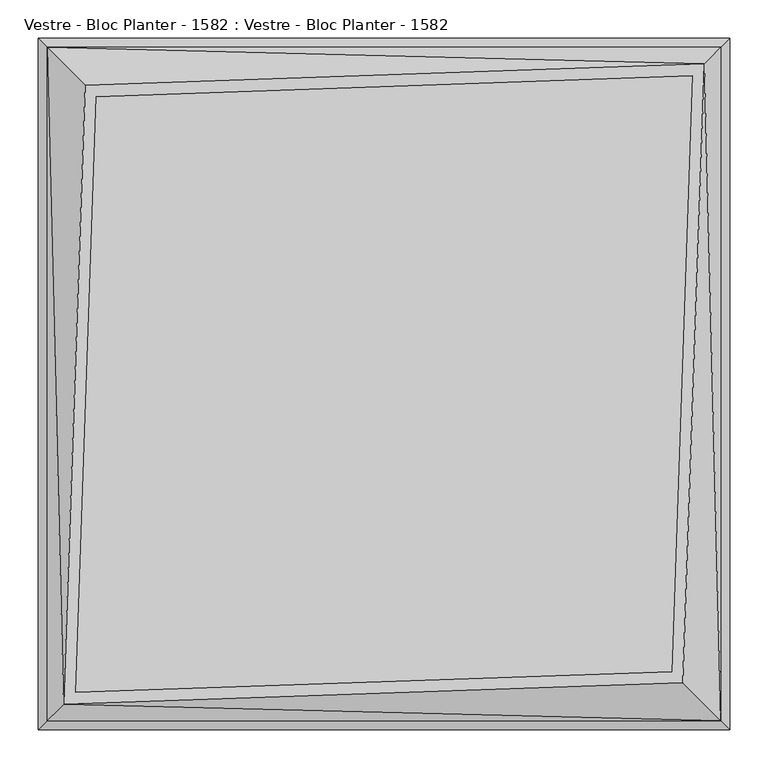
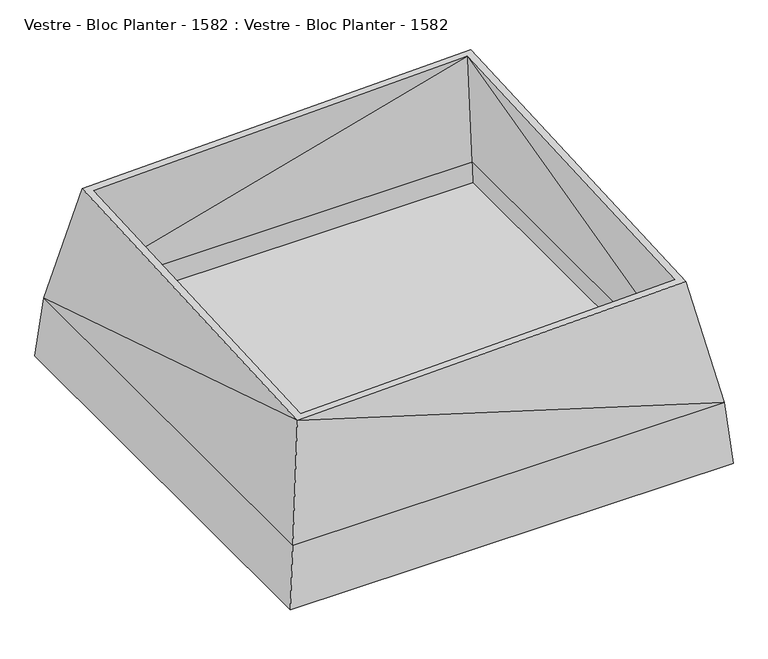
"""IFC4 building model written with IfcOpenShell, lengths in millimetres: furniture geometry, Vestre - Bloc Planter - 1582 : Vestre - Bloc Planter - 1582."""

from ifc_helpers import new_model, si_unit, frame, origin, place, context, project, spatial, polyline, circle_curve, source, transform, mapped, element, save
from ifc_brep_helpers import plane_surface, cylinder_surface, revolved_surface, advanced_brep


def vestre_bloc_planter_1582_vestre_bloc_planter_1582_75cbe593(model_context):
    return source(origin(), model_context, "Body", "AdvancedBrep", [
        advanced_brep(
        [(349.9470094, 356.3930267, 93.0), (356.4390304, 349.9010057, 93.0), (356.4390304, 356.3930267, 93.0), (-450.0, -450.0, 30.0), (-450.0, 450.0, 30.0), (450.0, 450.0, 30.0), (450.0, -450.0, 30.0), (435.0, -288.3105989, 30.0), (388.1486318, -335.1619671, 30.0), (379.6633505, -326.6766857, 30.0), (435.0, -271.3400361, 30.0), (435.0, 271.3400361, 30.0), (379.6633505, 326.6766857, 30.0), (388.1486318, 335.1619671, 30.0), (435.0, 288.3105989, 30.0), (435.0, 435.0, 30.0), (288.3105989, 435.0, 30.0), (335.1156232, 388.1949756, 30.0), (326.6303419, 379.7096943, 30.0), (271.3400361, 435.0, 30.0), (-271.3400361, 435.0, 30.0), (-326.6303419, 379.7096943, 30.0), (-335.1156232, 388.1949756, 30.0), (-288.3105989, 435.0, 30.0), (-435.0, 435.0, 30.0), (-435.0, 288.3105989, 30.0), (-388.1486318, 335.1619671, 30.0), (-379.6633505, 326.6766857, 30.0), (-435.0, 271.3400361, 30.0), (-435.0, -271.3400361, 30.0), (-379.6633505, -326.6766857, 30.0), (-388.1486318, -335.1619671, 30.0), (-435.0, -288.3105989, 30.0), (-435.0, -435.0, 30.0), (-288.3105989, -435.0, 30.0), (-335.1156232, -388.1949756, 30.0), (-326.6303419, -379.7096943, 30.0), (-271.3400361, -435.0, 30.0), (271.3400361, -435.0, 30.0), (326.6303419, -379.7096943, 30.0), (335.1156232, -388.1949756, 30.0), (288.3105989, -435.0, 30.0), (435.0, -435.0, 30.0), (388.1486318, 335.1619671, 13.4987081), (335.1156232, 388.1949756, 13.4987081), (293.8563735, 429.4542254, 93.0), (429.4542254, 293.8563735, 93.0), (379.6633505, 326.6766857, 13.4838777), (429.4542254, 276.8858108, 93.0), (276.8858108, 429.4542254, 93.0), (326.6303419, 379.7096943, 13.4838777), (356.4390304, -349.9010057, 93.0), (349.8556822, -356.484354, 93.0), (356.4390304, -356.484354, 93.0), (388.1486318, -335.1619671, 13.4987081), (429.4542254, -293.8563735, 93.0), (293.8563735, -429.4542254, 93.0), (335.1156232, -388.1949756, 13.4987081), (379.6633505, -326.6766857, 13.4838777), (326.6303419, -379.7096943, 13.4838777), (276.8858108, -429.4542254, 93.0), (429.4542254, -276.8858108, 93.0), (-356.4383502, 349.9016859, 93.0), (-349.9470094, 356.3930267, 93.0), (-356.4383502, 356.3930267, 93.0), (-388.1486318, 335.1619671, 13.4987081), (-429.4542254, 293.8563735, 93.0), (-293.8563735, 429.4542254, 93.0), (-335.1156232, 388.1949756, 13.4987081), (-379.6633505, 326.6766857, 13.4838777), (-326.6303419, 379.7096943, 13.4838777), (-276.8858108, 429.4542254, 93.0), (-429.4542254, 276.8858108, 93.0), (378.6140905, -325.6274257, 12.0), (378.6036038, -325.6169391, 0.0), (326.6303419, -273.6436771, 0.0), (326.6303419, -273.6436771, 12.0), (325.5810819, -378.6604343, 12.0), (273.5973333, -326.6766857, 12.0), (273.5973333, -326.6766857, 0.0), (325.5705952, -378.6499476, 0.0), (-378.6140905, 325.6274257, 12.0), (-378.6036038, 325.6169391, 0.0), (-326.6303419, 273.6436771, 0.0), (-326.6303419, 273.6436771, 12.0), (-325.5810819, 378.6604343, 12.0), (-273.5973333, 326.6766857, 12.0), (-273.5973333, 326.6766857, 0.0), (-325.5705952, 378.6499476, 0.0), (378.6140905, 325.6274257, 12.0), (326.6303419, 273.6436771, 12.0), (326.6303419, 273.6436771, 0.0), (378.6036038, 325.6169391, 0.0), (325.5810819, 378.6604343, 12.0), (325.5705952, 378.6499476, 0.0), (273.5973333, 326.6766857, 0.0), (273.5973333, 326.6766857, 12.0), (-326.6303419, -379.7096943, 13.4838777), (-325.5810819, -378.6604343, 12.0), (-378.6140905, -325.6274257, 12.0), (-379.6633505, -326.6766857, 13.4838777), (-273.5973333, -326.6766857, 12.0), (-326.6303419, -273.6436771, 12.0), (-273.5973333, -326.6766857, 0.0), (-326.6303419, -273.6436771, 0.0), (-325.5705952, -378.6499476, 0.0), (-378.6036038, -325.6169391, 0.0), (-335.1156232, -388.1949756, 13.4987081), (-388.1486318, -335.1619671, 13.4987081), (-293.8563735, -429.4542254, 93.0), (-429.4542254, -293.8563735, 93.0), (-429.4542254, -276.8858108, 93.0), (-356.4383502, -349.9016859, 93.0), (-349.8556822, -356.484354, 93.0), (-276.8858108, -429.4542254, 93.0), (-356.4383502, -356.484354, 93.0), (417.1917512, 417.1917512, 406.0458689), (438.75, -438.75, 157.8686997), (438.755923, 438.75, 157.8005145), (-417.1917512, -417.1917512, 406.0458689), (-438.7558816, -438.7558816, 157.8009908), (-438.75, 438.75, 157.8686997), (429.4542254, 429.4542254, 93.0), (-429.4542254, 429.4542254, 93.0), (423.75, 423.7499994, 157.8000065), (-423.75, 423.7499994, 157.8000065), (-428.0017606, 428.0017606, 109.5), (428.0017606, 428.0017606, 109.5), (429.4542254, -429.4542254, 93.0), (423.7499994, -423.75, 157.8000065), (428.0017606, -428.0017606, 109.5), (-429.4542254, -429.4542254, 93.0), (-423.75, -423.7499994, 157.8000064), (-428.0017606, -428.0017606, 109.5), (401.6375434, 401.6353344, 406.0458689), (-374.4510183, 374.3354148, 406.0458689), (374.4450039, -374.5380434, 406.0458689), (-401.6376655, -401.6394474, 406.0458689), (-388.952236, 388.8345932, 406.0458689), (388.9461155, -389.0407966, 406.0458689), (356.4390304, 356.3930267, 105.0), (356.4390304, -356.484354, 105.0), (-356.4383502, -356.484354, 105.0), (-356.4383502, 356.3930267, 105.0)],
        [
            (0, 1),
            (1, 2),
            (2, 0),
            (3, 4),
            (4, 5),
            (5, 6),
            (6, 3),
            (7, 8),
            (8, 9),
            (9, 10),
            (10, 11),
            (11, 12),
            (12, 13),
            (13, 14),
            (14, 15),
            (15, 16),
            (16, 17),
            (17, 18),
            (18, 19),
            (19, 20),
            (20, 21),
            (21, 22),
            (22, 23),
            (23, 24),
            (24, 25),
            (25, 26),
            (26, 27),
            (27, 28),
            (28, 29),
            (29, 30),
            (30, 31),
            (31, 32),
            (32, 33),
            (33, 34),
            (34, 35),
            (35, 36),
            (36, 37),
            (37, 38),
            (38, 39),
            (39, 40),
            (40, 41),
            (41, 42),
            (42, 7),
            (13, 43),
            (43, 44),
            (44, 17),
            (16, 45),
            (45, 46),
            (46, 14),
            (47, 12),
            (11, 48),
            (48, 1),
            (0, 49),
            (49, 19),
            (18, 50),
            (50, 47),
            (51, 52),
            (52, 53),
            (53, 51),
            (54, 8),
            (7, 55),
            (55, 56),
            (56, 41),
            (40, 57),
            (57, 54),
            (9, 58),
            (58, 59),
            (59, 39),
            (38, 60),
            (60, 52),
            (51, 61),
            (61, 10),
            (62, 63),
            (63, 64),
            (64, 62),
            (65, 26),
            (25, 66),
            (66, 67),
            (67, 23),
            (22, 68),
            (68, 65),
            (27, 69),
            (69, 70),
            (70, 21),
            (20, 71),
            (71, 63),
            (62, 72),
            (72, 28),
            (73, 58, circle_curve(frame((378.6140905, -325.6274257, 13.4838777), z_axis=(-0.7071067811863656, -0.7071067811867295, 0.0), x_axis=(0.0, 0.0, 1.0)), 1.4838777)),
            (54, 74, circle_curve(frame((378.6036038, -325.6169391, 13.4987081), z_axis=(0.7071067811863656, 0.7071067811867295, 0.0), x_axis=(0.0, 0.0, 1.0)), 13.4987081)),
            (74, 75),
            (75, 76),
            (76, 73),
            (77, 78),
            (78, 79),
            (79, 80),
            (80, 57, circle_curve(frame((325.5705952, -378.6499476, 13.4987081), z_axis=(-0.7071067811863656, -0.7071067811867295, 0.0), x_axis=(0.0, 0.0, 1.0)), 13.4987081)),
            (59, 77, circle_curve(frame((325.5810819, -378.6604343, 13.4838777), z_axis=(0.7071067811863656, 0.7071067811867295, 0.0), x_axis=(0.0, 0.0, 1.0)), 1.4838777)),
            (73, 77),
            (80, 74),
            (79, 75),
            (78, 76),
            (81, 69, circle_curve(frame((-378.6140905, 325.6274257, 13.4838777), z_axis=(0.7071067811863656, 0.7071067811867295, 0.0), x_axis=(0.0, 0.0, 1.0)), 1.4838777)),
            (65, 82, circle_curve(frame((-378.6036038, 325.6169391, 13.4987081), z_axis=(-0.7071067811863656, -0.7071067811867295, 0.0), x_axis=(0.0, 0.0, 1.0)), 13.4987081)),
            (82, 83),
            (83, 84),
            (84, 81),
            (85, 86),
            (86, 87),
            (87, 88),
            (88, 68, circle_curve(frame((-325.5705952, 378.6499476, 13.4987081), z_axis=(0.7071067811863656, 0.7071067811867295, 0.0), x_axis=(0.0, 0.0, 1.0)), 13.4987081)),
            (70, 85, circle_curve(frame((-325.5810819, 378.6604343, 13.4838777), z_axis=(-0.7071067811863656, -0.7071067811867295, 0.0), x_axis=(0.0, 0.0, 1.0)), 1.4838777)),
            (81, 85),
            (88, 82),
            (87, 83),
            (86, 84),
            (89, 90),
            (90, 91),
            (91, 92),
            (92, 43, circle_curve(frame((378.6036038, 325.6169391, 13.4987081), z_axis=(0.7071067811863656, -0.7071067811867295, 0.0), x_axis=(0.0, 0.0, 1.0)), 13.4987081)),
            (47, 89, circle_curve(frame((378.6140905, 325.6274257, 13.4838777), z_axis=(-0.7071067811863656, 0.7071067811867295, 0.0), x_axis=(0.0, 0.0, 1.0)), 1.4838777)),
            (93, 50, circle_curve(frame((325.5810819, 378.6604343, 13.4838777), z_axis=(0.7071067811863656, -0.7071067811867295, 0.0), x_axis=(0.0, 0.0, 1.0)), 1.4838777)),
            (44, 94, circle_curve(frame((325.5705952, 378.6499476, 13.4987081), z_axis=(-0.7071067811863656, 0.7071067811867295, 0.0), x_axis=(0.0, 0.0, 1.0)), 13.4987081)),
            (94, 95),
            (95, 96),
            (96, 93),
            (93, 89),
            (92, 94),
            (91, 95),
            (90, 96),
            (97, 98, circle_curve(frame((-325.5810819, -378.6604343, 13.4838777), z_axis=(0.7071067811863656, -0.7071067811867295, 0.0), x_axis=(0.0, 0.0, 1.0)), 1.4838777)),
            (98, 99),
            (99, 100, circle_curve(frame((-378.6140905, -325.6274257, 13.4838777), z_axis=(-0.7071067811863656, 0.7071067811867295, 0.0), x_axis=(0.0, 0.0, 1.0)), 1.4838777)),
            (100, 97),
            (98, 101),
            (101, 102),
            (102, 99),
            (101, 103),
            (103, 104),
            (104, 102),
            (103, 105),
            (105, 106),
            (106, 104),
            (105, 107, circle_curve(frame((-325.5705952, -378.6499476, 13.4987081), z_axis=(-0.7071067811863656, 0.7071067811867295, 0.0), x_axis=(0.0, 0.0, 1.0)), 13.4987081)),
            (107, 108),
            (108, 106, circle_curve(frame((-378.6036038, -325.6169391, 13.4987081), z_axis=(0.7071067811863656, -0.7071067811867295, 0.0), x_axis=(0.0, 0.0, 1.0)), 13.4987081)),
            (108, 31),
            (30, 100),
            (97, 36),
            (35, 107),
            (34, 109),
            (109, 110),
            (110, 32),
            (29, 111),
            (111, 112),
            (112, 113),
            (113, 114),
            (114, 37),
            (112, 115),
            (115, 113),
            (116, 117),
            (117, 118),
            (118, 116),
            (117, 119),
            (119, 120),
            (120, 117),
            (119, 121),
            (121, 120),
            (118, 121),
            (121, 116),
            (15, 122),
            (122, 45),
            (49, 71),
            (67, 123),
            (123, 24),
            (124, 125),
            (125, 126),
            (126, 127),
            (127, 124),
            (61, 48),
            (46, 122),
            (42, 128),
            (128, 55),
            (129, 124),
            (127, 130),
            (130, 129),
            (56, 128),
            (33, 131),
            (131, 109),
            (114, 60),
            (132, 129),
            (130, 133),
            (133, 132),
            (123, 66),
            (110, 131),
            (72, 111),
            (125, 132),
            (133, 126),
            (129, 134),
            (134, 124),
            (125, 134),
            (134, 135),
            (135, 125),
            (129, 136),
            (136, 134),
            (132, 137),
            (137, 129),
            (125, 137),
            (137, 136),
            (135, 137),
            (119, 138),
            (138, 121),
            (138, 116),
            (116, 139),
            (139, 117),
            (139, 119),
            (121, 4),
            (3, 120),
            (118, 5),
            (117, 6),
            (140, 141),
            (141, 142),
            (142, 143),
            (143, 140),
            (51, 1),
            (0, 63),
            (113, 52),
            (62, 112),
            (140, 2),
            (53, 141),
            (115, 142),
            (64, 143),
        ],
        [
            plane_surface(frame((435.0, 288.3105989, 93.0), z_axis=(0.0, 0.0, 1.0), x_axis=(-0.7071067811865458, 0.7071067811865492, 0.0))),
            plane_surface(frame((435.0, 288.3105989, 30.0), z_axis=(0.0, 0.0, -1.0), x_axis=(0.7071067811865458, -0.7071067811865492, 0.0))),
            plane_surface(frame((435.0, 288.3105989, 93.0), z_axis=(0.7071067811865492, 0.7071067811865458, 0.0), x_axis=(0.0, 0.0, -1.0))),
            plane_surface(frame((271.3400361, 435.0, 93.0), z_axis=(-0.7071067811865493, -0.7071067811865458, 0.0), x_axis=(0.0, 0.0, -1.0))),
            plane_surface(frame((435.0, -271.3400361, 93.0), z_axis=(0.0, 0.0, 1.0), x_axis=(0.0, 1.0, 0.0))),
            plane_surface(frame((288.3105989, -435.0, 93.0), z_axis=(0.7071067811865491, -0.707106781186546, 0.0), x_axis=(0.0, 0.0, -1.0))),
            plane_surface(frame((435.0, -271.3400361, 93.0), z_axis=(-0.7071067811865493, 0.7071067811865458, 0.0), x_axis=(0.0, 0.0, -1.0))),
            plane_surface(frame((-435.0, 271.3400361, 93.0), z_axis=(0.0, 0.0, 1.0), x_axis=(0.0, -1.0, 0.0))),
            plane_surface(frame((-288.3105989, 435.0, 93.0), z_axis=(-0.7071067811865491, 0.707106781186546, 0.0), x_axis=(0.0, 0.0, -1.0))),
            plane_surface(frame((-435.0, 271.3400361, 93.0), z_axis=(0.7071067811865493, -0.7071067811865458, 0.0), x_axis=(0.0, 0.0, -1.0))),
            plane_surface(frame((378.6140905, -325.6274257, 14.9677554), z_axis=(0.7071067811863656, 0.7071067811867295, 0.0), x_axis=(-0.7071067811867295, 0.7071067811863656, 0.0))),
            plane_surface(frame((325.5810819, -378.6604343, 14.9677554), z_axis=(-0.7071067811863656, -0.7071067811867295, 0.0), x_axis=(0.7071067811867295, -0.7071067811863656, 0.0))),
            revolved_surface(polyline([(325.58108189999973, -378.6604343000003, 14.967755400000001), (378.61409049998633, -325.62742569998636, 14.967755400000001)]), (325.5810819, -378.6604343, 13.4838777), (-0.7071067811863656, -0.7071067811867295, 0.0)),
            cylinder_surface(frame((325.5705952, -378.6499476, 13.4987081), z_axis=(0.7071067811863656, 0.7071067811867295, 0.0), x_axis=(0.0, 0.0, 1.0)), 13.4987081),
            plane_surface(frame((378.6036038, -325.6169391, 0.0), z_axis=(0.0, 0.0, -1.0), x_axis=(-0.7071067811863657, -0.7071067811867293, 0.0))),
            plane_surface(frame((326.6303419, -273.6436771, 0.0), z_axis=(-0.7071067811867298, 0.7071067811863653, 0.0), x_axis=(-0.7071067811863653, -0.7071067811867298, 0.0))),
            plane_surface(frame((326.6303419, -273.6436771, 12.0), z_axis=(0.0, 0.0, 1.0), x_axis=(-0.7071067811863657, -0.7071067811867293, 0.0))),
            plane_surface(frame((-378.6140905, 325.6274257, 14.9677554), z_axis=(-0.7071067811863656, -0.7071067811867295, 0.0), x_axis=(0.7071067811867295, -0.7071067811863656, 0.0))),
            plane_surface(frame((-325.5810819, 378.6604343, 14.9677554), z_axis=(0.7071067811863656, 0.7071067811867295, 0.0), x_axis=(-0.7071067811867295, 0.7071067811863656, 0.0))),
            revolved_surface(polyline([(-325.58108189999973, 378.6604343000003, 14.967755400000001), (-378.61409049998633, 325.62742569998636, 14.967755400000001)]), (-325.5810819, 378.6604343, 13.4838777), (0.7071067811863656, 0.7071067811867295, 0.0)),
            cylinder_surface(frame((-325.5705952, 378.6499476, 13.4987081), z_axis=(-0.7071067811863656, -0.7071067811867295, 0.0), x_axis=(0.0, 0.0, 1.0)), 13.4987081),
            plane_surface(frame((-378.6036038, 325.6169391, 0.0), z_axis=(0.0, 0.0, -1.0), x_axis=(0.7071067811863657, 0.7071067811867293, 0.0))),
            plane_surface(frame((-326.6303419, 273.6436771, 0.0), z_axis=(0.7071067811867293, -0.7071067811863657, 0.0), x_axis=(0.7071067811863657, 0.7071067811867293, 0.0))),
            plane_surface(frame((-326.6303419, 273.6436771, 12.0), z_axis=(0.0, 0.0, 1.0), x_axis=(0.7071067811863657, 0.7071067811867293, 0.0))),
            plane_surface(frame((326.6303419, 273.6436771, 12.0), z_axis=(0.7071067811863656, -0.7071067811867294, 0.0), x_axis=(-0.7071067811867294, -0.7071067811863656, 0.0))),
            plane_surface(frame((273.5973333, 326.6766857, 12.0), z_axis=(-0.7071067811863656, 0.7071067811867294, 0.0), x_axis=(0.7071067811867294, 0.7071067811863656, 0.0))),
            revolved_surface(polyline([(325.58108189999973, 378.6604343000003, 14.967755400000001), (378.61409049998633, 325.62742569998636, 14.967755400000001)]), (325.5810819, 378.6604343, 13.4838777), (-0.7071067811863656, 0.7071067811867295, 0.0)),
            cylinder_surface(frame((325.5705952, 378.6499476, 13.4987081), z_axis=(0.7071067811863656, -0.7071067811867295, 0.0), x_axis=(0.0, 0.0, 1.0)), 13.4987081),
            plane_surface(frame((326.6303419, 273.6436771, 0.0), z_axis=(0.0, 0.0, -1.0), x_axis=(-0.7071067811863657, 0.7071067811867293, 0.0))),
            plane_surface(frame((326.6303419, 273.6436771, 12.0), z_axis=(-0.7071067811867293, -0.7071067811863657, 0.0), x_axis=(-0.7071067811863657, 0.7071067811867293, 0.0))),
            plane_surface(frame((378.6140905, 325.6274257, 12.0), z_axis=(0.0, 0.0, 1.0), x_axis=(-0.7071067811863657, 0.7071067811867293, 0.0))),
            revolved_surface(polyline([(-378.6140905, -325.6274257, 14.967755400000001), (-325.5810819000134, -378.6604343000139, 14.967755400000001)]), (-378.6140905, -325.6274257, 13.4838777), (-0.7071067811863656, 0.7071067811867295, 0.0)),
            plane_surface(frame((-273.5973333, -326.6766857, 12.0), z_axis=(0.0, 0.0, 1.0000000000000002), x_axis=(-0.7071067811863658, 0.7071067811867293, 0.0))),
            plane_surface(frame((-273.5973333, -326.6766857, 0.0), z_axis=(0.7071067811867296, 0.7071067811863655, 0.0), x_axis=(-0.7071067811863655, 0.7071067811867296, 0.0))),
            plane_surface(frame((-325.5705952, -378.6499476, 0.0), z_axis=(0.0, 0.0, -1.0000000000000002), x_axis=(-0.7071067811863655, 0.7071067811867296, 0.0))),
            cylinder_surface(frame((-378.6036038, -325.6169391, 13.4987081), z_axis=(0.7071067811863656, -0.7071067811867295, 0.0), x_axis=(0.0, 0.0, 1.0)), 13.4987081),
            plane_surface(frame((-378.6036038, -325.6169391, 26.9974161), z_axis=(-0.7071067811863656, 0.7071067811867295, 0.0), x_axis=(0.7071067811867295, 0.7071067811863656, 0.0))),
            plane_surface(frame((-325.5705952, -378.6499476, 26.9974161), z_axis=(0.7071067811863656, -0.7071067811867295, 0.0), x_axis=(-0.7071067811867295, -0.7071067811863656, 0.0))),
            plane_surface(frame((-437.9382959, -285.372303, 93.0), z_axis=(-0.7071067811865542, -0.7071067811865409, 0.0), x_axis=(0.0, 0.0, -1.0))),
            plane_surface(frame((-268.2940324, -438.0460037, 93.0), z_axis=(0.7071067811865536, 0.7071067811865416, 0.0), x_axis=(0.0, 0.0, -1.0))),
            plane_surface(frame((-268.2940324, -438.0460037, 93.0), z_axis=(0.0, 0.0, 1.0), x_axis=(0.999993509692954, -0.0036028560848389473, 0.0))),
            plane_surface(frame((438.75, 0.0, 157.8686997), z_axis=(0.9962483358091488, 0.0, 0.08654047259809469), x_axis=(0.0, 1.0, 0.0))),
            plane_surface(frame((0.0, -438.75, 157.8686997), z_axis=(0.0, -0.9962483358091565, 0.08654047259800551), x_axis=(1.0, 0.0, 0.0))),
            plane_surface(frame((-438.75, 0.0, 157.8686997), z_axis=(-0.9962483358091578, 0.0, 0.08654047259799116), x_axis=(0.0, -1.0, 0.0))),
            plane_surface(frame((0.0, 438.75, 157.8686997), z_axis=(0.0, 0.996248335809155, 0.08654047259802371), x_axis=(-1.0, 0.0, 0.0))),
            plane_surface(frame((0.0, 435.0, 30.0), z_axis=(0.0, -0.9961478936882718, -0.0876890751486153), x_axis=(-1.0, 0.0, 0.0))),
            plane_surface(frame((435.0, 0.0, 30.0), z_axis=(-0.9961478936882718, 0.0, -0.0876890751486153), x_axis=(0.0, 1.0, 0.0))),
            plane_surface(frame((0.0, -435.0, 30.0), z_axis=(0.0, 0.9961478936882717, -0.0876890751486161), x_axis=(1.0, 0.0, 0.0))),
            plane_surface(frame((-435.0, 0.0, 30.0), z_axis=(0.9961478936882718, 0.0, -0.0876890751486153), x_axis=(0.0, -1.0, 0.0))),
            plane_surface(frame((423.75, 0.0, 157.8686997), z_axis=(-0.9960541198327189, 0.0, -0.08874790343589993), x_axis=(0.0, 1.0, 0.0))),
            plane_surface(frame((-423.75, 423.75, 157.8686997), z_axis=(0.03443177463404437, -0.9788346233479016, -0.20173555222350406), x_axis=(-0.9993818877318187, -0.035154551249968906, 0.0))),
            plane_surface(frame((423.75, -423.75, 157.8686997), z_axis=(-0.9789323947436813, 0.03429602027575473, -0.20128375372753352), x_axis=(0.03501262451242775, 0.9993868700982377, 0.0))),
            plane_surface(frame((0.0, -423.75, 157.8686997), z_axis=(0.0, 0.996054795283944, -0.08874032224338828), x_axis=(1.0, 0.0, 0.0))),
            plane_surface(frame((-423.75, 0.0, 157.8686997), z_axis=(0.996054163145077, 0.0, -0.08874741732219783), x_axis=(0.0, -1.0, 0.0))),
            plane_surface(frame((423.75, -423.75, 157.8686997), z_axis=(-0.034187788718858046, 0.9790101769360219, -0.20092353908443394), x_axis=(0.9993908270190958, 0.03489949670250104, 0.0))),
            plane_surface(frame((-423.75, 423.75, 157.8686997), z_axis=(0.9789314542431133, -0.034297327693142074, -0.20128810498033098), x_axis=(-0.035013991209692535, -0.9993868222162866, 0.0))),
            plane_surface(frame((0.0, 423.75, 157.8686997), z_axis=(0.0, -0.9960533360535415, -0.08875669967169136), x_axis=(-1.0, 0.0, 0.0))),
            plane_surface(frame((-438.75, 438.75, 157.8686997), z_axis=(-0.9785283564043936, 0.03428320496921996, 0.20324103318364276), x_axis=(-0.03501399120969255, -0.9993868222162866, 0.0))),
            plane_surface(frame((-438.75, 438.75, 157.8686997), z_axis=(-0.03441751028806573, 0.9784291131506576, 0.20369561979774822), x_axis=(-0.9993818877318187, -0.035154551249968906, 0.0))),
            plane_surface(frame((438.75, -438.75, 157.8686997), z_axis=(0.9785293203340363, -0.0342818989245766, 0.20323661248095598), x_axis=(0.03501262451242776, 0.9993868700982377, 0.0))),
            plane_surface(frame((438.75, -438.75, 157.8686997), z_axis=(0.03417378071062205, -0.9786090400641867, 0.20287064700590246), x_axis=(0.9993908270190958, 0.03489949670250104, 0.0))),
            plane_surface(frame((-0.0015301, -0.0515508, 406.0458689), z_axis=(0.0, 0.0, 1.0), x_axis=(0.03501262451242776, 0.9993868700982377, 0.0))),
            plane_surface(frame((-450.0, 0.0, 30.0), z_axis=(-0.9961478936882718, 0.0, 0.0876890751486153), x_axis=(0.0, -1.0, 0.0))),
            plane_surface(frame((0.0, 450.0, 30.0), z_axis=(0.0, 0.9961478936882718, 0.0876890751486153), x_axis=(-1.0, 0.0, 0.0))),
            plane_surface(frame((450.0, 0.0, 30.0), z_axis=(0.9961478936882718, 0.0, 0.0876890751486153), x_axis=(0.0, 1.0, 0.0))),
            plane_surface(frame((0.0, -450.0, 30.0), z_axis=(0.0, -0.9961478936882717, 0.0876890751486161), x_axis=(1.0, 0.0, 0.0))),
            plane_surface(frame((-431.2496599, -431.2956636, 109.5), z_axis=(0.0, 0.0, 1.0), x_axis=(1.0, 0.0, 0.0))),
            plane_surface(frame((-431.2496599, -431.2956636, 105.0), z_axis=(0.0, 0.0, -1.0), x_axis=(-1.0, 0.0, 0.0))),
            plane_surface(frame((356.4390304, 356.3930267, 93.0), z_axis=(0.0, 0.0, -1.0), x_axis=(0.0, 1.0, 0.0))),
            plane_surface(frame((356.4390304, 356.3930267, 105.0), z_axis=(-1.0, 0.0, 0.0), x_axis=(0.0, 0.0, -1.0))),
            plane_surface(frame((356.4390304, -356.484354, 105.0), z_axis=(0.0, 1.0, 0.0), x_axis=(0.0, 0.0, -1.0))),
            plane_surface(frame((-356.4383502, -356.484354, 105.0), z_axis=(1.0, 0.0, 0.0), x_axis=(0.0, 0.0, -1.0))),
            plane_surface(frame((-356.4383502, 356.3930267, 105.0), z_axis=(0.0, -1.0, 0.0), x_axis=(0.0, 0.0, -1.0))),
        ],
        [
            (0, [[1, 2, 3]]),
            (1, [[4, 5, 6, 7], [8, 9, 10, 11, 12, 13, 14, 15, 16, 17, 18, 19, 20, 21, 22, 23, 24, 25, 26, 27, 28, 29, 30, 31, 32, 33, 34, 35, 36, 37, 38, 39, 40, 41, 42, 43]]),
            (2, [[44, 45, 46, -17, 47, 48, 49, -14]]),
            (3, [[50, -12, 51, 52, -1, 53, 54, -19, 55, 56]]),
            (4, [[57, 58, 59]]),
            (5, [[60, -8, 61, 62, 63, -41, 64, 65]]),
            (6, [[66, 67, 68, -39, 69, 70, -57, 71, 72, -10]]),
            (7, [[73, 74, 75]]),
            (8, [[76, -26, 77, 78, 79, -23, 80, 81]]),
            (9, [[82, 83, 84, -21, 85, 86, -73, 87, 88, -28]]),
            (10, [[89, -66, -9, -60, 90, 91, 92, 93]]),
            (11, [[94, 95, 96, 97, -64, -40, -68, 98]]),
            (12, [[-89, 99, -98, -67]]),
            (13, [[-90, -65, -97, 100]]),
            (14, [[-91, -100, -96, 101]]),
            (15, [[-92, -101, -95, 102]]),
            (16, [[-93, -102, -94, -99]]),
            (17, [[103, -82, -27, -76, 104, 105, 106, 107]]),
            (18, [[108, 109, 110, 111, -80, -22, -84, 112]]),
            (19, [[-103, 113, -112, -83]]),
            (20, [[-104, -81, -111, 114]]),
            (21, [[-105, -114, -110, 115]]),
            (22, [[-106, -115, -109, 116]]),
            (23, [[-107, -116, -108, -113]]),
            (24, [[117, 118, 119, 120, -44, -13, -50, 121]]),
            (25, [[122, -55, -18, -46, 123, 124, 125, 126]]),
            (26, [[-121, -56, -122, 127]]),
            (27, [[-120, 128, -123, -45]]),
            (28, [[-119, 129, -124, -128]]),
            (29, [[-118, 130, -125, -129]]),
            (30, [[-117, -127, -126, -130]]),
            (31, [[131, 132, 133, 134]]),
            (32, [[-132, 135, 136, 137]]),
            (33, [[-136, 138, 139, 140]]),
            (34, [[-139, 141, 142, 143]]),
            (35, [[-142, 144, 145, 146]]),
            (36, [[-133, -137, -140, -143, -146, 147, -31, 148]]),
            (37, [[-131, 149, -36, 150, -144, -141, -138, -135]]),
            (38, [[-145, -150, -35, 151, 152, 153, -32, -147]]),
            (39, [[-134, -148, -30, 154, 155, 156, 157, 158, -37, -149]]),
            (40, [[-156, 159, 160]]),
            (41, [[161, 162, 163]]),
            (42, [[164, 165, 166]]),
            (43, [[-165, 167, 168]]),
            (44, [[-163, 169, 170]]),
            (45, [[-16, 171, 172, -47]]),
            (45, [[-20, -54, 173, -85]]),
            (45, [[-24, -79, 174, 175]]),
            (45, [[176, 177, 178, 179]]),
            (46, [[-11, -72, 180, -51]]),
            (46, [[-15, -49, 181, -171]]),
            (46, [[-43, 182, 183, -61]]),
            (46, [[184, -179, 185, 186]]),
            (47, [[-42, -63, 187, -182]]),
            (47, [[-151, -34, 188, 189]]),
            (47, [[-158, 190, -69, -38]]),
            (47, [[191, -186, 192, 193]]),
            (48, [[-25, -175, 194, -77]]),
            (48, [[-153, 195, -188, -33]]),
            (48, [[-154, -29, -88, 196]]),
            (48, [[197, -193, 198, -177]]),
            (49, [[-184, 199, 200]]),
            (50, [[201, 202, 203]]),
            (51, [[-199, 204, 205]]),
            (52, [[-191, 206, 207]]),
            (53, [[-197, 208, -206]]),
            (54, [[-204, -207, 209]]),
            (55, [[-203, 210, -208]]),
            (56, [[-176, -200, -201]]),
            (57, [[-167, 211, 212]]),
            (58, [[-170, -212, 213]]),
            (59, [[-161, 214, 215]]),
            (60, [[-164, -215, 216]]),
            (61, [[-211, -216, -214, -213], [-202, -205, -209, -210]]),
            (62, [[-168, 217, -4, 218]]),
            (63, [[-169, 219, -5, -217]]),
            (64, [[-162, 220, -6, -219]]),
            (65, [[-166, -218, -7, -220]]),
            (66, [[-178, -198, -192, -185]]),
            (67, [[221, 222, 223, 224]]),
            (68, [[-48, -172, -181]]),
            (68, [[-62, -183, -187]]),
            (68, [[-78, -194, -174]]),
            (68, [[-152, -189, -195]]),
            (68, [[225, -52, -180, -71]]),
            (68, [[226, -86, -173, -53]]),
            (68, [[227, -70, -190, -157]]),
            (68, [[228, -155, -196, -87]]),
            (69, [[229, -2, -225, -59, 230, -221]]),
            (70, [[-230, -58, -227, -160, 231, -222]]),
            (71, [[-231, -159, -228, -75, 232, -223]]),
            (72, [[-229, -224, -232, -74, -226, -3]]),
        ],
    ),
    ])


if __name__ == "__main__":
    model = new_model("IFC4")
    model_context = context("Model", 3, world=origin())
    ifc_project = project(units=[si_unit("LENGTHUNIT", "METRE", prefix="MILLI")], contexts=[model_context])
    site = spatial("IfcSite", under=ifc_project)
    building = spatial("IfcBuilding", under=site)
    placement = place(None, origin())
    vestre_bloc_planter_1582_vestre_bloc_planter_1582_shape = vestre_bloc_planter_1582_vestre_bloc_planter_1582_75cbe593(model_context)
    element("IfcFurniture", 1, ObjectType="Vestre - Bloc Planter - 1582 : Vestre - Bloc Planter - 1582", at=placement, inside=building, context=model_context, shape_type="MappedRepresentation", body=[
        mapped(vestre_bloc_planter_1582_vestre_bloc_planter_1582_shape, transform((0.0, 0.0, 0.0), x_axis=(1.0, 0.0, 0.0), y_axis=(0.0, 1.0, 0.0), z_axis=(0.0, 0.0, 1.0))),
    ])
    save(model, "model.ifc")
